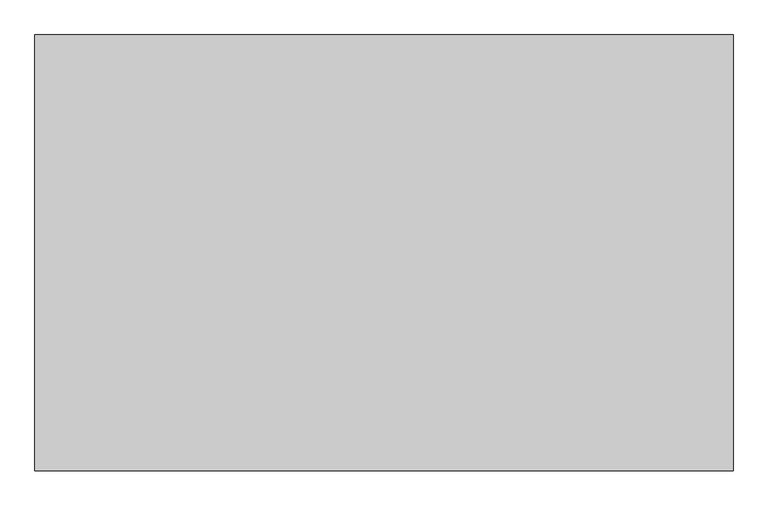
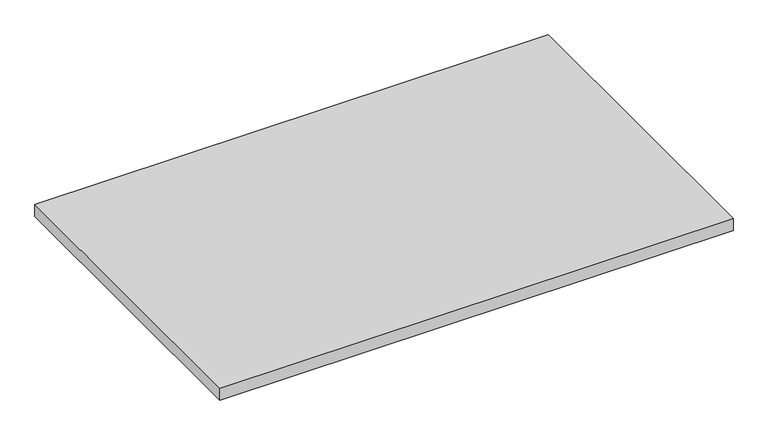
"""IFC4 building model written with IfcOpenShell, lengths in millimetres: furniture geometry."""

import ifcopenshell
import ifcopenshell.guid

model = None  # the IFC model being written
_history = None  # IfcOwnerHistory: only IFC2X3 demands one
_inside = {}  # id of a spatial element -> (the spatial element, [elements in it])
_under = {}  # id of a project, library or spatial element -> (it, [spatial elements below it])
_declared = {}  # id of a project -> (the project, [libraries it declares])
_typed = {}  # id of a type object -> (the type object, [elements of that type])
_made_of = {}  # id of a material, layer set ... -> (it, [elements and type objects made of it])


def new_model(schema):
    """Start an empty IFC model of exactly this schema.

    Asked for "IFC4X3", IfcOpenShell would pick the latest addendum, in which some entities
    have other attributes; the version numbers below select the first issue.
    IFC2X3 requires an IfcOwnerHistory on every rooted entity: one is made here for all.
    """
    global model, _history
    if schema == "IFC4X3":
        model = ifcopenshell.file(schema_version=(4, 3, 0, 0))
    else:
        model = ifcopenshell.file(schema=schema)
    _inside.clear()
    _under.clear()
    _declared.clear()
    _typed.clear()
    _made_of.clear()
    _history = None
    if model.schema == "IFC2X3":
        org = make("IfcOrganization", Name="unknown")
        user = make(
            "IfcPersonAndOrganization",
            ThePerson=make("IfcPerson", FamilyName="unknown"),
            TheOrganization=org,
        )
        app = make(
            "IfcApplication",
            ApplicationDeveloper=org,
            Version="unknown",
            ApplicationFullName="unknown",
            ApplicationIdentifier="unknown",
        )
        _history = make(
            "IfcOwnerHistory",
            OwningUser=user,
            OwningApplication=app,
            ChangeAction="ADDED",
            CreationDate=0,
        )
    return model


def make(cls, **values):
    """One entity of the class cls with the attributes given. An attribute that is None is left unset."""
    return model.create_entity(
        cls, **{name: value for name, value in values.items() if value is not None}
    )


def rooted(cls, **values):
    """An entity with a GlobalId (a new one), such as an element, a storey or a relation."""
    return make(cls, GlobalId=ifcopenshell.guid.new(), OwnerHistory=_history, **values)


def si_unit(unit_type, name, prefix=None):
    """IfcSIUnit, for example si_unit("LENGTHUNIT", "METRE", prefix="MILLI")."""
    return make("IfcSIUnit", UnitType=unit_type, Prefix=prefix, Name=name)


def assignment(units):
    """IfcUnitAssignment: the units of a project."""
    return None if units is None else make("IfcUnitAssignment", Units=units)


def point(xyz):
    """IfcCartesianPoint."""
    return None if xyz is None else make("IfcCartesianPoint", Coordinates=xyz)


def direction(xyz):
    """IfcDirection."""
    return None if xyz is None else make("IfcDirection", DirectionRatios=xyz)


def frame(location, z_axis=None, x_axis=None):
    """IfcAxis2Placement3D, a coordinate frame: its origin and axes. An axis left out is left unset."""
    return make(
        "IfcAxis2Placement3D",
        Location=point(location),
        Axis=direction(z_axis),
        RefDirection=direction(x_axis),
    )


def origin():
    """The frame at (0, 0, 0) with its axes left unset."""
    return frame((0.0, 0.0, 0.0))


def place(relative_to, where):
    """IfcLocalPlacement: puts the frame where relative to a parent placement (None: the world)."""
    return make(
        "IfcLocalPlacement", PlacementRelTo=relative_to, RelativePlacement=where
    )


def context(
    kind, dimensions, precision=None, world=None, true_north=None, identifier=None
):
    """IfcGeometricRepresentationContext, for example the 3D "Model" context."""
    return make(
        "IfcGeometricRepresentationContext",
        ContextIdentifier=identifier,
        ContextType=kind,
        CoordinateSpaceDimension=dimensions,
        Precision=precision,
        WorldCoordinateSystem=world,
        TrueNorth=true_north,
    )


def project(units=None, contexts=None):
    """IfcProject with its units and contexts."""
    return rooted(
        "IfcProject",
        Name="project",
        RepresentationContexts=contexts,
        UnitsInContext=assignment(units),
    )


def spatial(cls, under=None, at=None, **own):
    """A site, building, storey or space (cls), placed at a placement, below another one or the project."""
    s = rooted(cls, ObjectPlacement=at, **own)
    if under is not None:
        _under.setdefault(under.id(), (under, []))[1].append(s)
    return s


def polyline(points):
    """IfcPolyline through the points."""
    return make("IfcPolyline", Points=[point(p) for p in points])


def outline(outer, holes=None, kind="AREA"):
    """IfcArbitraryClosedProfileDef: a profile drawn as a closed curve; with holes, ...WithVoids."""
    if holes is None:
        return make("IfcArbitraryClosedProfileDef", ProfileType=kind, OuterCurve=outer)
    return make(
        "IfcArbitraryProfileDefWithVoids",
        ProfileType=kind,
        OuterCurve=outer,
        InnerCurves=holes,
    )


def extrude(swept, where, along, depth):
    """IfcExtrudedAreaSolid: the profile swept, set in the frame where, extruded along a direction by depth."""
    return make(
        "IfcExtrudedAreaSolid",
        SweptArea=swept,
        Position=where,
        ExtrudedDirection=direction(along),
        Depth=depth,
    )


def shape(context_of_items, identifier, shape_type, items):
    """IfcShapeRepresentation: the items that make up one representation, for example the "Body"."""
    return make(
        "IfcShapeRepresentation",
        ContextOfItems=context_of_items,
        RepresentationIdentifier=identifier,
        RepresentationType=shape_type,
        Items=items,
    )


def source(mapping_origin, context_of_items, identifier, shape_type, items):
    """IfcRepresentationMap: a shape defined once, which mapped items show again and again."""
    return make(
        "IfcRepresentationMap",
        MappingOrigin=mapping_origin,
        MappedRepresentation=shape(context_of_items, identifier, shape_type, items),
    )


def transform(
    local_origin,
    x_axis=None,
    y_axis=None,
    z_axis=None,
    scale=None,
    scale2=None,
    scale3=None,
    uniform=True,
):
    """IfcCartesianTransformationOperator3D, or its non-uniform kind. x_axis, y_axis, z_axis: its Axis1, 2, 3."""
    if uniform:
        return make(
            "IfcCartesianTransformationOperator3D",
            Axis1=direction(x_axis),
            Axis2=direction(y_axis),
            LocalOrigin=point(local_origin),
            Scale=scale,
            Axis3=direction(z_axis),
        )
    return make(
        "IfcCartesianTransformationOperator3DnonUniform",
        Axis1=direction(x_axis),
        Axis2=direction(y_axis),
        LocalOrigin=point(local_origin),
        Scale=scale,
        Axis3=direction(z_axis),
        Scale2=scale2,
        Scale3=scale3,
    )


def mapped(mapping_source, mapping_target):
    """IfcMappedItem: shows the shape of a source again, moved by a transform."""
    return make(
        "IfcMappedItem", MappingSource=mapping_source, MappingTarget=mapping_target
    )


def made_of(thing, what):
    """Note that an element or type object is made of a material, layer set ...; save() writes the relation."""
    if what is not None:
        _made_of.setdefault(what.id(), (what, []))[1].append(thing)
    return thing


def element(
    cls,
    number,
    at=None,
    inside=None,
    cuts=None,
    type_object=None,
    material=None,
    context=None,
    identifier="Body",
    shape_type=None,
    held_by="IfcProductDefinitionShape",
    body=None,
    shapes=None,
    **own,
):
    """One element of the class cls, such as IfcWall. Its Tag is "e" and its number.

    at: its placement. inside: the storey or other place that contains it. cuts: it is an
    opening in that element (IfcRelVoidsElement). A single representation is given by context,
    identifier, shape_type and body (its items); several are given by shapes. held_by: the class
    of the entity that holds the representations. save() writes the other relations.
    """
    e = rooted(cls, Tag="e%d" % number, ObjectPlacement=at, **own)
    if body is not None:
        shapes = [shape(context, identifier, shape_type, body)]
    if shapes is not None:
        e.Representation = make(held_by, Representations=shapes)
    if inside is not None:
        _inside.setdefault(inside.id(), (inside, []))[1].append(e)
    if cuts is not None:
        rooted(
            "IfcRelVoidsElement", RelatingBuildingElement=cuts, RelatedOpeningElement=e
        )
    if type_object is not None:
        _typed.setdefault(type_object.id(), (type_object, []))[1].append(e)
    return made_of(e, material)


def aggregate(whole, parts):
    """IfcRelAggregates: a whole, such as a stair, and the parts it consists of."""
    return rooted("IfcRelAggregates", RelatingObject=whole, RelatedObjects=parts)


def save(model, path):
    """Write the relations noted so far, then the file.

    IfcRelAggregates (storeys below a building ...), IfcRelContainedInSpatialStructure (elements
    in a storey), IfcRelDefinesByType, IfcRelAssociatesMaterial and IfcRelDeclares: one each for
    every whole, place, type object, material and project.
    """
    for whole, parts in _under.values():
        aggregate(whole, parts)
    for where, things in _inside.values():
        rooted(
            "IfcRelContainedInSpatialStructure",
            RelatedElements=things,
            RelatingStructure=where,
        )
    for kind, things in _typed.values():
        rooted("IfcRelDefinesByType", RelatedObjects=things, RelatingType=kind)
    for what, things in _made_of.values():
        rooted("IfcRelAssociatesMaterial", RelatedObjects=things, RelatingMaterial=what)
    for by, libraries in _declared.values():
        rooted("IfcRelDeclares", RelatingContext=by, RelatedDefinitions=libraries)
    model.write(path)


def furniture_67021183(model_context):
    return source(origin(), model_context, "Body", "SweptSolid", [
        extrude(outline(polyline([(1219.1999999, -3.0467299), (1219.1999999, -762.0), (3.1750001, -762.0), (3.1750001, -3.0467299), (1219.1999999, -3.0467299)])), frame((0.0, 0.0, 852.678), z_axis=(0.0, 0.0, 1.0), x_axis=(1.0, 0.0, 0.0)), (0.0, 0.0, 1.0), 29.972),
    ])


if __name__ == "__main__":
    model = new_model("IFC4")
    model_context = context("Model", 3, world=origin())
    ifc_project = project(units=[si_unit("LENGTHUNIT", "METRE", prefix="MILLI")], contexts=[model_context])
    site = spatial("IfcSite", under=ifc_project)
    building = spatial("IfcBuilding", under=site)
    placement = place(None, origin())
    furniture_shape = furniture_67021183(model_context)
    element("IfcFurniture", 1, at=placement, inside=building, context=model_context, shape_type="MappedRepresentation", body=[
        mapped(furniture_shape, transform((0.0, 0.0, 0.0), x_axis=(1.0, 0.0, 0.0), y_axis=(0.0, 1.0, 0.0), z_axis=(0.0, 0.0, 1.0))),
    ])
    save(model, "model.ifc")
